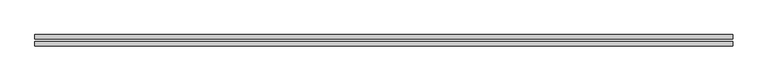
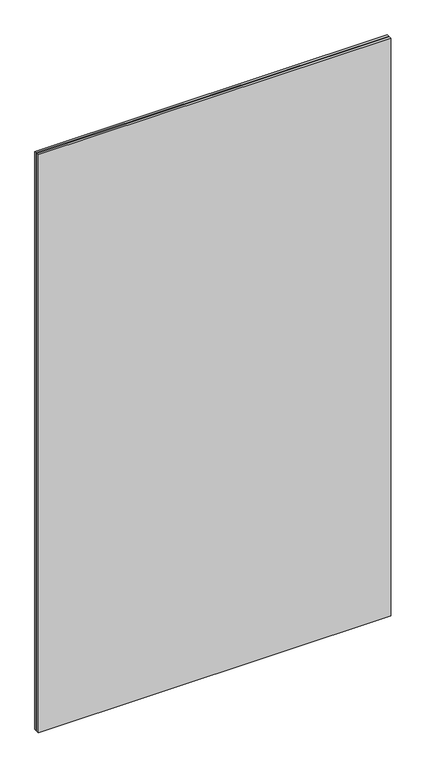
"""IFC4 building model written with IfcOpenShell, lengths in millimetres: plate geometry."""

from ifc_helpers import new_model, si_unit, origin, origin_with_axes, place, context, project, spatial, polyline, outline, extrude, source, transform, mapped, element, save


def plate_d93a5a4f(model_context):
    return source(origin(), model_context, "Body", "SweptSolid", [
        extrude(outline(polyline([(620.0, -10.0), (-620.0, -10.0), (-620.0, -2.0), (620.0, -2.0), (620.0, -10.0)])), origin_with_axes(), (0.0, 0.0, 1.0), 2150.0),
        extrude(outline(polyline([(620.0, 2.0), (-620.0, 2.0), (-620.0, 10.0), (620.0, 10.0), (620.0, 2.0)])), origin_with_axes(), (0.0, 0.0, 1.0), 2150.0),
    ])


if __name__ == "__main__":
    model = new_model("IFC4")
    model_context = context("Model", 3, world=origin())
    ifc_project = project(units=[si_unit("LENGTHUNIT", "METRE", prefix="MILLI")], contexts=[model_context])
    site = spatial("IfcSite", under=ifc_project)
    building = spatial("IfcBuilding", under=site)
    placement = place(None, origin())
    plate_shape = plate_d93a5a4f(model_context)
    element("IfcPlate", 1, at=placement, inside=building, context=model_context, shape_type="MappedRepresentation", body=[
        mapped(plate_shape, transform((0.0, 0.0, 0.0), x_axis=(1.0, 0.0, 0.0), y_axis=(0.0, 1.0, 0.0), z_axis=(0.0, 0.0, 1.0))),
    ])
    save(model, "model.ifc")
